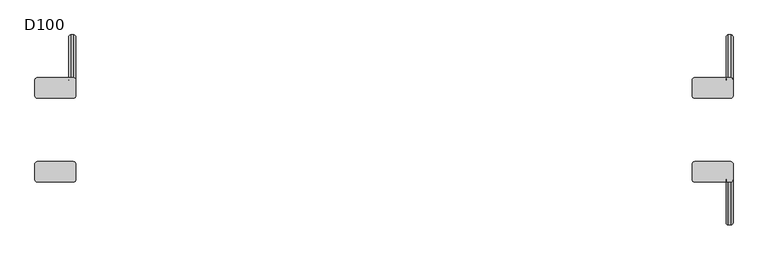
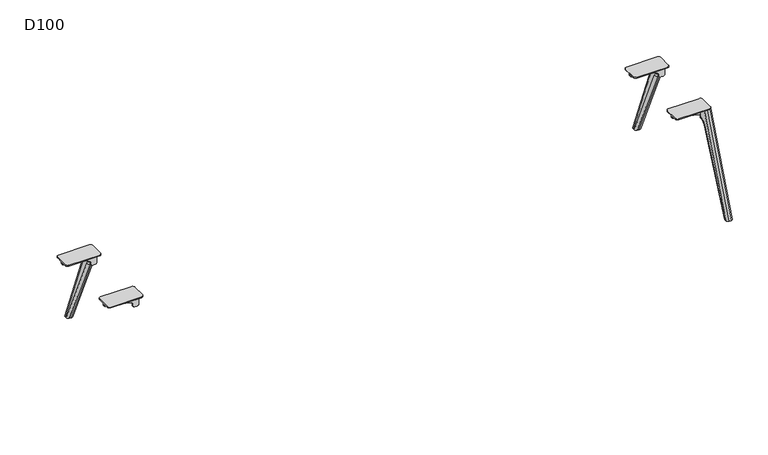
"""IFC4 building model written with IfcOpenShell, lengths in millimetres: furniture geometry, D100."""

from ifc_helpers import new_model, si_unit, point, frame, origin, place, context, project, spatial, polyline, circle_curve, ellipse_curve, trimmed, source, transform, mapped, element, save
from ifc_brep_helpers import plane_surface, cylinder_surface, revolved_surface, advanced_brep


def d100_eb0edf5c(model_context):
    return source(origin(), model_context, "Body", "AdvancedBrep", [
        advanced_brep(
        [(3079.2740174, -270.7236545, 641.5327762), (3104.0036896, -270.7236545, 611.3326759), (3119.0, -270.7236545, 596.0), (3134.0, -270.7236545, 596.0), (3149.0, -270.7236545, 611.0), (3149.0, -270.7236545, 700.0), (2889.0, -270.7236545, 700.0), (2889.0, -270.7236545, 692.1898324), (2905.4913675, -270.7236545, 672.5), (3079.2740174, -264.7236545, 641.5327762), (2905.4913675, -264.7236545, 672.5), (2889.0, -264.7236545, 692.1898324), (2889.0, -264.7236545, 700.0), (3149.0, -264.7236545, 700.0), (3149.0, -264.7236545, 611.0), (3134.0, -264.7236545, 596.0), (3119.0, -264.7236545, 596.0), (3104.0036896, -264.7236545, 611.3326759), (3149.0, -218.7236545, 700.0), (3149.0, -218.7236545, 706.0), (3149.0, -316.7236545, 706.0), (3149.0, -316.7236545, 700.0), (3133.0, -202.7236545, 706.0), (2905.0, -202.7236545, 706.0), (2889.0, -218.7236545, 706.0), (2889.0, -316.7236545, 706.0), (2905.0, -332.7236545, 706.0), (3133.0, -332.7236545, 706.0), (2889.0, -218.7236545, 700.0), (2889.0, -316.7236545, 700.0), (3133.0, -202.7236545, 700.0), (2905.0, -202.7236545, 700.0), (3133.0, -332.7236545, 700.0), (2905.0, -332.7236545, 700.0)],
        [
            (0, 1, circle_curve(frame((3074.0110687, -270.7236545, 611.9980276), z_axis=(0.0, 1.0, 0.0), x_axis=(1.0, 0.0, 0.0)), 30.0)),
            (1, 2, circle_curve(frame((3119.0, -270.7236545, 611.0), z_axis=(0.0, -1.0, 0.0), x_axis=(1.0, 0.0, 0.0)), 15.0)),
            (2, 3),
            (3, 4, circle_curve(frame((3134.0, -270.7236545, 611.0), z_axis=(0.0, -1.0, 0.0), x_axis=(1.0, 0.0, 0.0)), 15.0)),
            (4, 5),
            (5, 6),
            (6, 7),
            (7, 8, circle_curve(frame((2909.0, -270.7236545, 692.1898324), z_axis=(0.0, -1.0, 0.0), x_axis=(1.0, 0.0, 0.0)), 20.0)),
            (8, 0),
            (9, 10),
            (10, 11, circle_curve(frame((2909.0, -264.7236545, 692.1898324), z_axis=(0.0, 1.0, 0.0), x_axis=(1.0, 0.0, 0.0)), 20.0)),
            (11, 12),
            (12, 13),
            (13, 14),
            (14, 15, circle_curve(frame((3134.0, -264.7236545, 611.0), z_axis=(0.0, 1.0, 0.0), x_axis=(1.0, 0.0, 0.0)), 15.0)),
            (15, 16),
            (16, 17, circle_curve(frame((3119.0, -264.7236545, 611.0), z_axis=(0.0, 1.0, 0.0), x_axis=(1.0, 0.0, 0.0)), 15.0)),
            (17, 9, circle_curve(frame((3074.0110687, -264.7236545, 611.9980276), z_axis=(0.0, -1.0, 0.0), x_axis=(1.0, 0.0, 0.0)), 30.0)),
            (0, 9),
            (17, 1),
            (4, 14),
            (13, 18),
            (18, 19),
            (19, 20),
            (20, 21),
            (21, 5),
            (19, 22, circle_curve(frame((3133.0, -218.7236545, 706.0), z_axis=(0.0, 0.0, 1.0), x_axis=(-1.0, 0.0, 0.0)), 16.0)),
            (22, 23),
            (23, 24, circle_curve(frame((2905.0, -218.7236545, 706.0), z_axis=(0.0, 0.0, 1.0), x_axis=(-1.0, 0.0, 0.0)), 16.0)),
            (24, 25),
            (25, 26, circle_curve(frame((2905.0, -316.7236545, 706.0), z_axis=(0.0, 0.0, 1.0), x_axis=(-1.0, 0.0, 0.0)), 16.0)),
            (26, 27),
            (27, 20, circle_curve(frame((3133.0, -316.7236545, 706.0), z_axis=(0.0, 0.0, 1.0), x_axis=(-1.0, 0.0, 0.0)), 16.0)),
            (24, 28),
            (28, 12),
            (11, 7),
            (6, 29),
            (29, 25),
            (10, 8),
            (16, 2),
            (15, 3),
            (30, 18, circle_curve(frame((3133.0, -218.7236545, 700.0), z_axis=(0.0, 0.0, -1.0), x_axis=(-1.0, 0.0, 0.0)), 16.0)),
            (28, 31, circle_curve(frame((2905.0, -218.7236545, 700.0), z_axis=(0.0, 0.0, -1.0), x_axis=(-1.0, 0.0, 0.0)), 16.0)),
            (31, 30),
            (21, 32, circle_curve(frame((3133.0, -316.7236545, 700.0), z_axis=(0.0, 0.0, -1.0), x_axis=(-1.0, 0.0, 0.0)), 16.0)),
            (32, 33),
            (33, 29, circle_curve(frame((2905.0, -316.7236545, 700.0), z_axis=(0.0, 0.0, -1.0), x_axis=(-1.0, 0.0, 0.0)), 16.0)),
            (30, 22),
            (27, 32),
            (26, 33),
            (23, 31),
        ],
        [
            plane_surface(frame((3104.0110687, -270.7236545, 611.9980276), z_axis=(0.0, -1.0, 0.0), x_axis=(0.0, 0.0, -1.0))),
            plane_surface(frame((3104.0110687, -264.7236545, 611.9980276), z_axis=(0.0, 1.0, 0.0), x_axis=(0.0, 0.0, 1.0))),
            revolved_surface(polyline([(3104.0110687, -264.7236545, 611.9980276), (3104.0110687, -270.7236545, 611.9980276)]), (3074.0110687, -264.7236545, 611.9980276), (0.0, 1.0, 0.0)),
            plane_surface(frame((3149.0, -270.7236545, 611.0), z_axis=(1.0, 0.0, 0.0), x_axis=(0.0, 1.0, 0.0))),
            plane_surface(frame((3149.0, -270.7236545, 706.0), z_axis=(0.0, 0.0, 1.0), x_axis=(0.0, 1.0, 0.0))),
            plane_surface(frame((2889.0, -270.7236545, 706.0), z_axis=(-1.0, 0.0, 0.0), x_axis=(0.0, 1.0, 0.0))),
            cylinder_surface(frame((2909.0, -264.7236545, 692.1898324), z_axis=(0.0, -1.0, 0.0), x_axis=(1.0, 0.0, 0.0)), 20.0),
            plane_surface(frame((2905.4913675, -270.7236545, 672.5), z_axis=(-0.17543162299464946, 0.0, -0.9844916178685643), x_axis=(0.0, 1.0, 0.0))),
            cylinder_surface(frame((3119.0, -264.7236545, 611.0), z_axis=(0.0, -1.0, 0.0), x_axis=(1.0, 0.0, 0.0)), 15.0),
            plane_surface(frame((3119.0, -270.7236545, 596.0), z_axis=(0.0, 0.0, -1.0), x_axis=(0.0, 1.0, 0.0))),
            cylinder_surface(frame((3134.0, -264.7236545, 611.0), z_axis=(0.0, -1.0, 0.0), x_axis=(1.0, 0.0, 0.0)), 15.0),
            plane_surface(frame((2905.0, -202.7236545, 700.0), z_axis=(0.0, 0.0, -1.0), x_axis=(1.0, 0.0, 0.0))),
            cylinder_surface(frame((3133.0, -218.7236545, 700.0), z_axis=(0.0, 0.0, 1.0), x_axis=(-1.0, 0.0, 0.0)), 16.0),
            cylinder_surface(frame((3133.0, -316.7236545, 700.0), z_axis=(0.0, 0.0, 1.0), x_axis=(-1.0, 0.0, 0.0)), 16.0),
            plane_surface(frame((2905.0, -332.7236545, 706.0), z_axis=(0.0, -1.0, 0.0), x_axis=(0.0, 0.0, -1.0))),
            cylinder_surface(frame((2905.0, -316.7236545, 700.0), z_axis=(0.0, 0.0, 1.0), x_axis=(-1.0, 0.0, 0.0)), 16.0),
            cylinder_surface(frame((2905.0, -218.7236545, 700.0), z_axis=(0.0, 0.0, 1.0), x_axis=(-1.0, 0.0, 0.0)), 16.0),
            plane_surface(frame((3133.0, -202.7236545, 706.0), z_axis=(0.0, 1.0, 0.0), x_axis=(0.0, 0.0, -1.0))),
        ],
        [
            (0, [[1, 2, 3, 4, 5, 6, 7, 8, 9]]),
            (1, [[10, 11, 12, 13, 14, 15, 16, 17, 18]]),
            (2, [[-1, 19, -18, 20]]),
            (3, [[21, -14, 22, 23, 24, 25, 26, -5]]),
            (4, [[-24, 27, 28, 29, 30, 31, 32, 33]]),
            (5, [[-30, 34, 35, -12, 36, -7, 37, 38]]),
            (6, [[-8, -36, -11, 39]]),
            (7, [[-9, -39, -10, -19]]),
            (8, [[-2, -20, -17, 40]]),
            (9, [[-3, -40, -16, 41]]),
            (10, [[-4, -41, -15, -21]]),
            (11, [[42, -22, -13, -35, 43, 44]]),
            (11, [[45, 46, 47, -37, -6, -26]]),
            (12, [[-27, -23, -42, 48]]),
            (13, [[-33, 49, -45, -25]]),
            (14, [[-32, 50, -46, -49]]),
            (15, [[-31, -38, -47, -50]]),
            (16, [[-29, 51, -43, -34]]),
            (17, [[-28, -48, -44, -51]]),
        ],
    ),
        advanced_brep(
        [(3079.2740174, 270.7236545, 641.5327762), (2905.4913675, 270.7236545, 672.5), (2889.0, 270.7236545, 692.1898324), (2889.0, 270.7236545, 700.0), (3149.0, 270.7236545, 700.0), (3149.0, 270.7236545, 611.0), (3134.0, 270.7236545, 596.0), (3119.0, 270.7236545, 596.0), (3104.0036896, 270.7236545, 611.3326759), (3079.2740174, 264.7236545, 641.5327762), (3104.0036896, 264.7236545, 611.3326759), (3119.0, 264.7236545, 596.0), (3134.0, 264.7236545, 596.0), (3149.0, 264.7236545, 611.0), (3149.0, 264.7236545, 700.0), (2889.0, 264.7236545, 700.0), (2889.0, 264.7236545, 692.1898324), (2905.4913675, 264.7236545, 672.5), (3149.0, 218.7236545, 706.0), (3149.0, 218.7236545, 700.0), (3149.0, 316.7236545, 700.0), (3149.0, 316.7236545, 706.0), (3133.0, 332.7236545, 706.0), (2905.0, 332.7236545, 706.0), (2889.0, 316.7236545, 706.0), (2889.0, 218.7236545, 706.0), (2905.0, 202.7236545, 706.0), (3133.0, 202.7236545, 706.0), (2889.0, 316.7236545, 700.0), (2889.0, 218.7236545, 700.0), (3133.0, 202.7236545, 700.0), (2905.0, 202.7236545, 700.0), (2905.0, 332.7236545, 700.0), (3133.0, 332.7236545, 700.0)],
        [
            (0, 1),
            (1, 2, circle_curve(frame((2909.0, 270.7236545, 692.1898324), z_axis=(0.0, 1.0, 0.0), x_axis=(1.0, 0.0, 0.0)), 20.0)),
            (2, 3),
            (3, 4),
            (4, 5),
            (5, 6, circle_curve(frame((3134.0, 270.7236545, 611.0), z_axis=(0.0, 1.0, 0.0), x_axis=(1.0, 0.0, 0.0)), 15.0)),
            (6, 7),
            (7, 8, circle_curve(frame((3119.0, 270.7236545, 611.0), z_axis=(0.0, 1.0, 0.0), x_axis=(1.0, 0.0, 0.0)), 15.0)),
            (8, 0, circle_curve(frame((3074.0110687, 270.7236545, 611.9980276), z_axis=(0.0, -1.0, 0.0), x_axis=(1.0, 0.0, 0.0)), 30.0)),
            (9, 10, circle_curve(frame((3074.0110687, 264.7236545, 611.9980276), z_axis=(0.0, 1.0, 0.0), x_axis=(1.0, 0.0, 0.0)), 30.0)),
            (10, 11, circle_curve(frame((3119.0, 264.7236545, 611.0), z_axis=(0.0, -1.0, 0.0), x_axis=(1.0, 0.0, 0.0)), 15.0)),
            (11, 12),
            (12, 13, circle_curve(frame((3134.0, 264.7236545, 611.0), z_axis=(0.0, -1.0, 0.0), x_axis=(1.0, 0.0, 0.0)), 15.0)),
            (13, 14),
            (14, 15),
            (15, 16),
            (16, 17, circle_curve(frame((2909.0, 264.7236545, 692.1898324), z_axis=(0.0, -1.0, 0.0), x_axis=(1.0, 0.0, 0.0)), 20.0)),
            (17, 9),
            (8, 10),
            (9, 0),
            (18, 19),
            (19, 14),
            (13, 5),
            (4, 20),
            (20, 21),
            (21, 18),
            (21, 22, circle_curve(frame((3133.0, 316.7236545, 706.0), z_axis=(0.0, 0.0, 1.0), x_axis=(-1.0, 0.0, 0.0)), 16.0)),
            (22, 23),
            (23, 24, circle_curve(frame((2905.0, 316.7236545, 706.0), z_axis=(0.0, 0.0, 1.0), x_axis=(-1.0, 0.0, 0.0)), 16.0)),
            (24, 25),
            (25, 26, circle_curve(frame((2905.0, 218.7236545, 706.0), z_axis=(0.0, 0.0, 1.0), x_axis=(-1.0, 0.0, 0.0)), 16.0)),
            (26, 27),
            (27, 18, circle_curve(frame((3133.0, 218.7236545, 706.0), z_axis=(0.0, 0.0, 1.0), x_axis=(-1.0, 0.0, 0.0)), 16.0)),
            (24, 28),
            (28, 3),
            (2, 16),
            (15, 29),
            (29, 25),
            (1, 17),
            (7, 11),
            (6, 12),
            (30, 31),
            (31, 29, circle_curve(frame((2905.0, 218.7236545, 700.0), z_axis=(0.0, 0.0, -1.0), x_axis=(-1.0, 0.0, 0.0)), 16.0)),
            (19, 30, circle_curve(frame((3133.0, 218.7236545, 700.0), z_axis=(0.0, 0.0, -1.0), x_axis=(-1.0, 0.0, 0.0)), 16.0)),
            (28, 32, circle_curve(frame((2905.0, 316.7236545, 700.0), z_axis=(0.0, 0.0, -1.0), x_axis=(-1.0, 0.0, 0.0)), 16.0)),
            (32, 33),
            (33, 20, circle_curve(frame((3133.0, 316.7236545, 700.0), z_axis=(0.0, 0.0, -1.0), x_axis=(-1.0, 0.0, 0.0)), 16.0)),
            (27, 30),
            (33, 22),
            (32, 23),
            (31, 26),
        ],
        [
            plane_surface(frame((2905.4913675, 270.7236545, 672.5), z_axis=(0.0, 1.0, 0.0), x_axis=(-0.9844916178685638, 0.0, 0.17543162299465243))),
            plane_surface(frame((2905.4913675, 264.7236545, 672.5), z_axis=(0.0, -1.0, 0.0), x_axis=(0.9844916178685638, 0.0, -0.17543162299465243))),
            revolved_surface(polyline([(3104.0110687, 264.7236545, 611.9980276), (3104.0110687, 270.7236545, 611.9980276)]), (3074.0110687, 264.7236545, 611.9980276), (0.0, -1.0, 0.0)),
            plane_surface(frame((3149.0, 270.7236545, 706.0), z_axis=(1.0, 0.0, 0.0), x_axis=(0.0, -1.0, 0.0))),
            plane_surface(frame((2889.0, 270.7236545, 706.0), z_axis=(0.0, 0.0, 1.0), x_axis=(0.0, -1.0, 0.0))),
            plane_surface(frame((2889.0, 270.7236545, 692.1898324), z_axis=(-1.0, 0.0, 0.0), x_axis=(0.0, -1.0, 0.0))),
            cylinder_surface(frame((2909.0, 264.7236545, 692.1898324), z_axis=(0.0, 1.0, 0.0), x_axis=(1.0, 0.0, 0.0)), 20.0),
            plane_surface(frame((3079.2740174, 270.7236545, 641.5327762), z_axis=(-0.17543162299465243, 0.0, -0.9844916178685638), x_axis=(0.0, -1.0, 0.0))),
            cylinder_surface(frame((3119.0, 264.7236545, 611.0), z_axis=(0.0, 1.0, 0.0), x_axis=(1.0, 0.0, 0.0)), 15.0),
            plane_surface(frame((3134.0, 270.7236545, 596.0), z_axis=(0.0, 0.0, -1.0), x_axis=(0.0, -1.0, 0.0))),
            cylinder_surface(frame((3134.0, 264.7236545, 611.0), z_axis=(0.0, 1.0, 0.0), x_axis=(1.0, 0.0, 0.0)), 15.0),
            plane_surface(frame((3117.0, 218.7236545, 700.0), z_axis=(0.0, 0.0, -1.0), x_axis=(0.0, 1.0, 0.0))),
            cylinder_surface(frame((3133.0, 218.7236545, 700.0), z_axis=(0.0, 0.0, 1.0), x_axis=(-1.0, 0.0, 0.0)), 16.0),
            cylinder_surface(frame((3133.0, 316.7236545, 700.0), z_axis=(0.0, 0.0, 1.0), x_axis=(-1.0, 0.0, 0.0)), 16.0),
            plane_surface(frame((3133.0, 332.7236545, 706.0), z_axis=(0.0, 1.0, 0.0), x_axis=(0.0, 0.0, -1.0))),
            cylinder_surface(frame((2905.0, 316.7236545, 700.0), z_axis=(0.0, 0.0, 1.0), x_axis=(-1.0, 0.0, 0.0)), 16.0),
            cylinder_surface(frame((2905.0, 218.7236545, 700.0), z_axis=(0.0, 0.0, 1.0), x_axis=(-1.0, 0.0, 0.0)), 16.0),
            plane_surface(frame((2905.0, 202.7236545, 706.0), z_axis=(0.0, -1.0, 0.0), x_axis=(0.0, 0.0, -1.0))),
        ],
        [
            (0, [[1, 2, 3, 4, 5, 6, 7, 8, 9]]),
            (1, [[10, 11, 12, 13, 14, 15, 16, 17, 18]]),
            (2, [[-9, 19, -10, 20]]),
            (3, [[21, 22, -14, 23, -5, 24, 25, 26]]),
            (4, [[-26, 27, 28, 29, 30, 31, 32, 33]]),
            (5, [[-30, 34, 35, -3, 36, -16, 37, 38]]),
            (6, [[-2, 39, -17, -36]]),
            (7, [[-1, -20, -18, -39]]),
            (8, [[-8, 40, -11, -19]]),
            (9, [[-7, 41, -12, -40]]),
            (10, [[-6, -23, -13, -41]]),
            (11, [[42, 43, -37, -15, -22, 44]]),
            (11, [[45, 46, 47, -24, -4, -35]]),
            (12, [[-33, 48, -44, -21]]),
            (13, [[-27, -25, -47, 49]]),
            (14, [[-28, -49, -46, 50]]),
            (15, [[-29, -50, -45, -34]]),
            (16, [[-31, -38, -43, 51]]),
            (17, [[-32, -51, -42, -48]]),
        ],
    ),
        advanced_brep(
        [(3134.0, 272.7758244, 596.0), (3149.0, 272.7758244, 611.0), (3149.0, 270.7236545, 611.0), (3134.0, 270.7236545, 596.0), (3104.0, 272.7758244, 611.0), (3119.0, 272.7758244, 596.0), (3119.0, 270.7236545, 596.0), (3104.0, 270.7236545, 611.0), (3149.0, 319.3435487, 580.82862), (3134.0, 305.6533176, 574.6985653), (3134.0, 562.9852524, 0.0), (3149.0, 579.4203292, 0.0), (3119.0, 305.6533176, 574.6985653), (3104.0, 319.3435487, 580.82862), (3104.0, 579.4203292, 0.0), (3119.0, 562.9852524, 0.0), (3104.0, 270.7236545, 700.0), (3104.0, 316.6217076, 700.0), (3104.0, 589.8218305, 0.0), (3149.0, 270.7236545, 700.0), (3149.0, 589.8218305, 0.0), (3149.0, 316.6217076, 700.0), (3134.0, 332.7236545, 700.0), (3119.0, 332.7236545, 700.0), (3134.0, 605.9237773, 0.0), (3119.0, 605.9237773, 0.0)],
        [
            (0, 1, circle_curve(frame((3134.0, 272.7758244, 611.0), z_axis=(0.0, -1.0, 0.0), x_axis=(0.0, 0.0, -1.0)), 15.0)),
            (1, 2),
            (2, 3, circle_curve(frame((3134.0, 270.7236545, 611.0), z_axis=(0.0, 1.0, 0.0), x_axis=(0.0, 0.0, -1.0)), 15.0)),
            (3, 0),
            (4, 5, circle_curve(frame((3119.0, 272.7758244, 611.0), z_axis=(0.0, -1.0, 0.0), x_axis=(0.0, 0.0, -1.0)), 15.0)),
            (5, 6),
            (6, 7, circle_curve(frame((3119.0, 270.7236545, 611.0), z_axis=(0.0, 1.0, 0.0), x_axis=(0.0, 0.0, -1.0)), 15.0)),
            (7, 4),
            (8, 9, circle_curve(frame((3134.0, 319.3435487, 580.82862), z_axis=(0.0, 0.4086703164969099, -0.9126820763082375), x_axis=(0.0, -0.9126820763082375, -0.4086703164969099)), 15.0)),
            (9, 10),
            (10, 11, ellipse_curve(frame((3134.0, 579.4203292, 0.0), z_axis=(0.0, 0.0, 1.0), x_axis=(0.0, 1.0, 0.0)), 16.4350768, 15.0)),
            (11, 8),
            (12, 13, circle_curve(frame((3119.0, 319.3435487, 580.82862), z_axis=(0.0, 0.4086703164969099, -0.9126820763082375), x_axis=(0.0, -0.9126820763082375, -0.4086703164969099)), 15.0)),
            (13, 14),
            (14, 15, ellipse_curve(frame((3119.0, 579.4203292, 0.0), z_axis=(0.0, 0.0, 1.0), x_axis=(0.0, 1.0, 0.0)), 16.4350768, 15.0)),
            (15, 12),
            (0, 9, circle_curve(frame((3134.0, 272.7758244, 559.9770583), z_axis=(-1.0, 0.0, 0.0), x_axis=(0.0, 0.0, 1.0)), 36.0229417)),
            (8, 1, circle_curve(frame((3149.0, 272.7758244, 559.9770583), z_axis=(1.0, 0.0, 0.0), x_axis=(0.0, 0.0, 1.0)), 51.0229417)),
            (4, 13, circle_curve(frame((3104.0, 272.7758244, 559.9770583), z_axis=(-1.0, 0.0, 0.0), x_axis=(0.0, 0.0, 1.0)), 51.0229417)),
            (12, 5, circle_curve(frame((3119.0, 272.7758244, 559.9770583), z_axis=(1.0, 0.0, 0.0), x_axis=(0.0, 0.0, 1.0)), 36.0229417)),
            (7, 16),
            (16, 17),
            (17, 18),
            (18, 14),
            (19, 2),
            (11, 20),
            (20, 21),
            (21, 19),
            (16, 19),
            (21, 22, ellipse_curve(frame((3134.0, 316.6217076, 700.0), z_axis=(0.0, 0.0, 1.0), x_axis=(0.0, -1.0, 0.0)), 16.1019468, 15.0)),
            (22, 23),
            (23, 17, ellipse_curve(frame((3119.0, 316.6217076, 700.0), z_axis=(0.0, 0.0, 1.0), x_axis=(0.0, -1.0, 0.0)), 16.1019468, 15.0)),
            (22, 24),
            (24, 25),
            (25, 23),
            (10, 15),
            (18, 25, ellipse_curve(frame((3119.0, 589.8218305, 0.0), z_axis=(0.0, 0.0, -1.0), x_axis=(0.0, -0.9999999999999999, 0.0)), 16.1019468, 15.0)),
            (24, 20, ellipse_curve(frame((3134.0, 589.8218305, 0.0), z_axis=(0.0, 0.0, -1.0), x_axis=(0.0, -0.9999999999999999, 0.0)), 16.1019468, 15.0)),
            (9, 12),
            (0, 5),
            (3, 6),
        ],
        [
            cylinder_surface(frame((3134.0, -272.7758244, 611.0), z_axis=(0.0, 1.0, 0.0), x_axis=(0.0, 0.0, -1.0)), 15.0),
            cylinder_surface(frame((3119.0, -272.7758244, 611.0), z_axis=(0.0, 1.0, 0.0), x_axis=(0.0, 0.0, -1.0)), 15.0),
            cylinder_surface(frame((3134.0, 319.3435487, 580.82862), z_axis=(0.0, 0.4086703164969099, -0.9126820763082375), x_axis=(0.0, -0.9126820763082375, -0.4086703164969099)), 15.0),
            cylinder_surface(frame((3119.0, 319.3435487, 580.82862), z_axis=(0.0, 0.4086703164969099, -0.9126820763082375), x_axis=(0.0, -0.9126820763082375, -0.4086703164969099)), 15.0),
            revolved_surface(trimmed(ellipse_curve(frame((3134.0, 272.7758244, 611.0), z_axis=(0.0, -1.0, 0.0), x_axis=(0.0, 0.0, -1.0)), 15.0, 15.0), [point((3134.0, 272.7758244, 596.0))], [point((3149.0, 272.7758244, 611.0))], True, "CARTESIAN"), (2367.0, 272.7758244, 559.9770583), (-1.0, 0.0, 0.0)),
            revolved_surface(trimmed(ellipse_curve(frame((3119.0, 272.7758244, 611.0), z_axis=(0.0, -1.0, 0.0), x_axis=(0.0, 0.0, -1.0)), 15.0, 15.0), [point((3104.0, 272.7758244, 611.0))], [point((3119.0, 272.7758244, 596.0))], True, "CARTESIAN"), (2367.0, 272.7758244, 559.9770583), (-1.0, 0.0, 0.0)),
            plane_surface(frame((3104.0, 291.5455549, 700.0), z_axis=(-1.0, 0.0, 0.0), x_axis=(0.0, 1.0, 0.0))),
            plane_surface(frame((3149.0, 291.5455549, 700.0), z_axis=(1.0, 0.0, 0.0), x_axis=(0.0, -1.0, 0.0))),
            plane_surface(frame((3104.0, 270.7236545, 700.0), z_axis=(0.0, 0.0, 1.0), x_axis=(1.0, 0.0, 0.0))),
            plane_surface(frame((3104.0, 332.7236545, 700.0), z_axis=(0.0, 0.9315643722265751, 0.3635764299265108), x_axis=(1.0, 0.0, 0.0))),
            plane_surface(frame((3104.0, 605.9237773, 0.0), z_axis=(0.0, 0.0, -1.0), x_axis=(1.0, 0.0, 0.0))),
            plane_surface(frame((3104.0, 562.9852524, 0.0), z_axis=(0.0, -0.9126820763082374, -0.40867031649691016), x_axis=(1.0, 0.0, 0.0))),
            revolved_surface(polyline([(3134.0, 236.7528827, 559.9770583), (3119.0, 236.7528827, 559.9770583)]), (3149.0, 272.7758244, 559.9770583), (1.0, 0.0, 0.0)),
            plane_surface(frame((3104.0, 272.7758244, 596.0), z_axis=(0.0, 0.0, -1.0), x_axis=(1.0, 0.0, 0.0))),
            plane_surface(frame((3104.0, 270.7236545, 596.0), z_axis=(0.0, -1.0, 0.0), x_axis=(1.0, 0.0, 0.0))),
            cylinder_surface(frame((3134.0, 599.6644228, -25.2189296), z_axis=(0.0, -0.3635764299265101, 0.9315643722265754), x_axis=(0.0, 0.9315643722265754, 0.3635764299265101)), 15.0),
            cylinder_surface(frame((3119.0, 599.6644228, -25.2189296), z_axis=(0.0, -0.3635764299265101, 0.9315643722265754), x_axis=(0.0, 0.9315643722265754, 0.3635764299265101)), 15.0),
        ],
        [
            (0, [[1, 2, 3, 4]]),
            (1, [[5, 6, 7, 8]]),
            (2, [[9, 10, 11, 12]]),
            (3, [[13, 14, 15, 16]]),
            (4, [[-1, 17, -9, 18]]),
            (5, [[-5, 19, -13, 20]]),
            (6, [[21, 22, 23, 24, -14, -19, -8]]),
            (7, [[25, -2, -18, -12, 26, 27, 28]]),
            (8, [[29, -28, 30, 31, 32, -22]]),
            (9, [[-31, 33, 34, 35]]),
            (10, [[36, -15, -24, 37, -34, 38, -26, -11]]),
            (11, [[-36, -10, 39, -16]]),
            (12, [[-39, -17, 40, -20]]),
            (13, [[-40, -4, 41, -6]]),
            (14, [[-29, -21, -7, -41, -3, -25]]),
            (15, [[-27, -38, -33, -30]]),
            (16, [[-23, -32, -35, -37]]),
        ],
    ),
        advanced_brep(
        [(3104.0, -270.7236545, 700.0), (3104.0, -270.7236545, 611.0), (3104.0, -272.7758244, 611.0), (3104.0, -319.3435487, 580.82862), (3104.0, -579.4203292, 0.0), (3104.0, -589.8218305, 0.0), (3104.0, -316.6217076, 700.0), (3149.0, -270.7236545, 611.0), (3149.0, -270.7236545, 700.0), (3149.0, -316.6217076, 700.0), (3149.0, -589.8218305, 0.0), (3149.0, -579.4203292, 0.0), (3149.0, -319.3435487, 580.82862), (3149.0, -272.7758244, 611.0), (3119.0, -332.7236545, 700.0), (3134.0, -332.7236545, 700.0), (3119.0, -605.9237773, 0.0), (3134.0, -605.9237773, 0.0), (3119.0, -562.9852524, 0.0), (3134.0, -562.9852524, 0.0), (3119.0, -305.6533176, 574.6985653), (3134.0, -305.6533176, 574.6985653), (3119.0, -272.7758244, 596.0), (3134.0, -272.7758244, 596.0), (3119.0, -270.7236545, 596.0), (3134.0, -270.7236545, 596.0)],
        [
            (0, 1),
            (1, 2),
            (2, 3, circle_curve(frame((3104.0, -272.7758244, 559.9770583), z_axis=(1.0, 0.0, 0.0), x_axis=(0.0, -0.9126820763082378, 0.4086703164969091)), 51.0229417)),
            (3, 4),
            (4, 5),
            (5, 6),
            (6, 0),
            (7, 8),
            (8, 9),
            (9, 10),
            (10, 11),
            (11, 12),
            (12, 13, circle_curve(frame((3149.0, -272.7758244, 559.9770583), z_axis=(-1.0, 0.0, 0.0), x_axis=(0.0, -0.9126820763082378, 0.4086703164969091)), 51.0229417)),
            (13, 7),
            (8, 0),
            (6, 14, ellipse_curve(frame((3119.0, -316.6217076, 700.0), z_axis=(0.0, 0.0, 1.0), x_axis=(0.0, 1.0, 0.0)), 16.1019468, 15.0)),
            (14, 15),
            (15, 9, ellipse_curve(frame((3134.0, -316.6217076, 700.0), z_axis=(0.0, 0.0, 1.0), x_axis=(0.0, 1.0, 0.0)), 16.1019468, 15.0)),
            (14, 16),
            (16, 17),
            (17, 15),
            (18, 19),
            (19, 11, ellipse_curve(frame((3134.0, -579.4203292, 0.0), z_axis=(0.0, 0.0, -1.0), x_axis=(0.0, 1.0, 0.0)), 16.4350768, 15.0)),
            (10, 17, ellipse_curve(frame((3134.0, -589.8218305, 0.0), z_axis=(0.0, 0.0, -1.0), x_axis=(0.0, 0.9999999999999999, 0.0)), 16.1019468, 15.0)),
            (16, 5, ellipse_curve(frame((3119.0, -589.8218305, 0.0), z_axis=(0.0, 0.0, -1.0), x_axis=(0.0, 0.9999999999999999, 0.0)), 16.1019468, 15.0)),
            (4, 18, ellipse_curve(frame((3119.0, -579.4203292, 0.0), z_axis=(0.0, 0.0, -1.0), x_axis=(0.0, 1.0, 0.0)), 16.4350768, 15.0)),
            (18, 20),
            (20, 21),
            (21, 19),
            (20, 22, circle_curve(frame((3119.0, -272.7758244, 559.9770583), z_axis=(-1.0, 0.0, 0.0), x_axis=(0.0, 1.0, 0.0)), 36.0229417)),
            (22, 23),
            (23, 21, circle_curve(frame((3134.0, -272.7758244, 559.9770583), z_axis=(1.0, 0.0, 0.0), x_axis=(0.0, 1.0, 0.0)), 36.0229417)),
            (22, 24),
            (24, 25),
            (25, 23),
            (7, 25, circle_curve(frame((3134.0, -270.7236545, 611.0), z_axis=(0.0, 1.0, 0.0), x_axis=(0.0, 0.0, -1.0)), 15.0)),
            (24, 1, circle_curve(frame((3119.0, -270.7236545, 611.0), z_axis=(0.0, 1.0, 0.0), x_axis=(0.0, 0.0, -1.0)), 15.0)),
            (21, 12, circle_curve(frame((3134.0, -319.3435487, 580.82862), z_axis=(0.0, -0.40867031649690977, -0.9126820763082376), x_axis=(0.0, 0.9126820763082376, -0.40867031649690977)), 15.0)),
            (3, 20, circle_curve(frame((3119.0, -319.3435487, 580.82862), z_axis=(0.0, -0.40867031649690977, -0.9126820763082376), x_axis=(0.0, 0.9126820763082376, -0.40867031649690977)), 15.0)),
            (13, 23, circle_curve(frame((3134.0, -272.7758244, 611.0), z_axis=(0.0, 1.0, 0.0), x_axis=(0.0, 0.0, -1.0)), 15.0)),
            (22, 2, circle_curve(frame((3119.0, -272.7758244, 611.0), z_axis=(0.0, 1.0, 0.0), x_axis=(0.0, 0.0, -1.0)), 15.0)),
        ],
        [
            plane_surface(frame((3104.0, -270.7236545, 596.0), z_axis=(-1.0, 0.0, 0.0), x_axis=(0.0, 0.0, -1.0))),
            plane_surface(frame((3149.0, -270.7236545, 596.0), z_axis=(1.0, 0.0, 0.0), x_axis=(0.0, 0.0, 1.0))),
            plane_surface(frame((3104.0, -332.7236545, 700.0), z_axis=(0.0, 0.0, 1.0), x_axis=(1.0, 0.0, 0.0))),
            plane_surface(frame((3104.0, -605.9237773, 0.0), z_axis=(0.0, -0.9315643722265751, 0.3635764299265108), x_axis=(1.0, 0.0, 0.0))),
            plane_surface(frame((3104.0, -562.9852524, 0.0), z_axis=(0.0, 0.0, -1.0), x_axis=(1.0, 0.0, 0.0))),
            plane_surface(frame((3104.0, -305.6533176, 574.6985653), z_axis=(0.0, 0.9126820763082374, -0.40867031649691016), x_axis=(1.0, 0.0, 0.0))),
            revolved_surface(polyline([(3134.0, -236.7528827, 559.9770583), (3119.0, -236.7528827, 559.9770583)]), (3149.0, -272.7758244, 559.9770583), (1.0, 0.0, 0.0)),
            plane_surface(frame((3104.0, -270.7236545, 596.0), z_axis=(0.0, 0.0, -1.0), x_axis=(1.0, 0.0, 0.0))),
            plane_surface(frame((3104.0, -270.7236545, 700.0), z_axis=(0.0, 1.0, 0.0), x_axis=(1.0, 0.0, 0.0))),
            cylinder_surface(frame((3134.0, -584.7803586, -11.9705362), z_axis=(0.0, 0.40867031649690977, 0.9126820763082376), x_axis=(0.0, 0.9126820763082376, -0.40867031649690977)), 15.0),
            cylinder_surface(frame((3119.0, -584.7803586, -11.9705362), z_axis=(0.0, 0.40867031649690977, 0.9126820763082376), x_axis=(0.0, 0.9126820763082376, -0.40867031649690977)), 15.0),
            cylinder_surface(frame((3134.0, -272.7758244, 611.0), z_axis=(0.0, 1.0, 0.0), x_axis=(0.0, 0.0, -1.0)), 15.0),
            cylinder_surface(frame((3119.0, -272.7758244, 611.0), z_axis=(0.0, 1.0, 0.0), x_axis=(0.0, 0.0, -1.0)), 15.0),
            revolved_surface(trimmed(ellipse_curve(frame((3134.0, -319.3435487, 580.82862), z_axis=(0.0, -0.4086703164969089, -0.9126820763082379), x_axis=(0.0, 0.9126820763082379, -0.4086703164969089)), 15.0, 15.0), [point((3134.0, -305.6533176, 574.6985653))], [point((3149.0, -319.3435487, 580.82862))], True, "CARTESIAN"), (2367.0, -272.7758244, 559.9770583), (-1.0, 0.0, 0.0)),
            revolved_surface(trimmed(ellipse_curve(frame((3119.0, -319.3435487, 580.82862), z_axis=(0.0, -0.4086703164969089, -0.9126820763082379), x_axis=(0.0, 0.9126820763082379, -0.4086703164969089)), 15.0, 15.0), [point((3104.0, -319.3435487, 580.82862))], [point((3119.0, -305.6533176, 574.6985653))], True, "CARTESIAN"), (2367.0, -272.7758244, 559.9770583), (-1.0, 0.0, 0.0)),
            cylinder_surface(frame((3134.0, -599.6644228, -25.2189296), z_axis=(0.0, 0.3635764299265101, 0.9315643722265754), x_axis=(0.0, 0.9315643722265754, -0.3635764299265101)), 15.0),
            cylinder_surface(frame((3119.0, -599.6644228, -25.2189296), z_axis=(0.0, 0.3635764299265101, 0.9315643722265754), x_axis=(0.0, 0.9315643722265754, -0.3635764299265101)), 15.0),
        ],
        [
            (0, [[1, 2, 3, 4, 5, 6, 7]]),
            (1, [[8, 9, 10, 11, 12, 13, 14]]),
            (2, [[15, -7, 16, 17, 18, -9]]),
            (3, [[-17, 19, 20, 21]]),
            (4, [[22, 23, -11, 24, -20, 25, -5, 26]]),
            (5, [[-22, 27, 28, 29]]),
            (6, [[-28, 30, 31, 32]]),
            (7, [[-31, 33, 34, 35]]),
            (8, [[-15, -8, 36, -34, 37, -1]]),
            (9, [[38, -12, -23, -29]]),
            (10, [[39, -27, -26, -4]]),
            (11, [[40, -35, -36, -14]]),
            (12, [[41, -2, -37, -33]]),
            (13, [[-38, -32, -40, -13]]),
            (14, [[-39, -3, -41, -30]]),
            (15, [[-10, -18, -21, -24]]),
            (16, [[-6, -25, -19, -16]]),
        ],
    ),
        advanced_brep(
        [(-1104.7259826, 270.7236545, 641.5327762), (-1278.5086325, 270.7236545, 672.5), (-1295.0, 270.7236545, 692.1898324), (-1295.0, 270.7236545, 700.0), (-1035.0, 270.7236545, 700.0), (-1035.0, 270.7236545, 611.0), (-1050.0, 270.7236545, 596.0), (-1065.0, 270.7236545, 596.0), (-1079.9963104, 270.7236545, 611.3326759), (-1104.7259826, 264.7236545, 641.5327762), (-1079.9963104, 264.7236545, 611.3326759), (-1065.0, 264.7236545, 596.0), (-1050.0, 264.7236545, 596.0), (-1035.0, 264.7236545, 611.0), (-1035.0, 264.7236545, 700.0), (-1295.0, 264.7236545, 700.0), (-1295.0, 264.7236545, 692.1898324), (-1278.5086325, 264.7236545, 672.5), (-1035.0, 218.7236545, 706.0), (-1035.0, 218.7236545, 700.0), (-1035.0, 316.7236545, 700.0), (-1035.0, 316.7236545, 706.0), (-1051.0, 332.7236545, 706.0), (-1279.0, 332.7236545, 706.0), (-1295.0, 316.7236545, 706.0), (-1295.0, 218.7236545, 706.0), (-1279.0, 202.7236545, 706.0), (-1051.0, 202.7236545, 706.0), (-1295.0, 316.7236545, 700.0), (-1295.0, 218.7236545, 700.0), (-1051.0, 202.7236545, 700.0), (-1279.0, 202.7236545, 700.0), (-1279.0, 332.7236545, 700.0), (-1051.0, 332.7236545, 700.0)],
        [
            (0, 1),
            (1, 2, circle_curve(frame((-1275.0, 270.7236545, 692.1898324), z_axis=(0.0, 1.0, 0.0), x_axis=(1.0, 0.0, 0.0)), 20.0)),
            (2, 3),
            (3, 4),
            (4, 5),
            (5, 6, circle_curve(frame((-1050.0, 270.7236545, 611.0), z_axis=(0.0, 1.0, 0.0), x_axis=(1.0, 0.0, 0.0)), 15.0)),
            (6, 7),
            (7, 8, circle_curve(frame((-1065.0, 270.7236545, 611.0), z_axis=(0.0, 1.0, 0.0), x_axis=(1.0, 0.0, 0.0)), 15.0)),
            (8, 0, circle_curve(frame((-1109.9889313, 270.7236545, 611.9980276), z_axis=(0.0, -1.0, 0.0), x_axis=(1.0, 0.0, 0.0)), 30.0)),
            (9, 10, circle_curve(frame((-1109.9889313, 264.7236545, 611.9980276), z_axis=(0.0, 1.0, 0.0), x_axis=(1.0, 0.0, 0.0)), 30.0)),
            (10, 11, circle_curve(frame((-1065.0, 264.7236545, 611.0), z_axis=(0.0, -1.0, 0.0), x_axis=(1.0, 0.0, 0.0)), 15.0)),
            (11, 12),
            (12, 13, circle_curve(frame((-1050.0, 264.7236545, 611.0), z_axis=(0.0, -1.0, 0.0), x_axis=(1.0, 0.0, 0.0)), 15.0)),
            (13, 14),
            (14, 15),
            (15, 16),
            (16, 17, circle_curve(frame((-1275.0, 264.7236545, 692.1898324), z_axis=(0.0, -1.0, 0.0), x_axis=(1.0, 0.0, 0.0)), 20.0)),
            (17, 9),
            (8, 10),
            (9, 0),
            (18, 19),
            (19, 14),
            (13, 5),
            (4, 20),
            (20, 21),
            (21, 18),
            (21, 22, circle_curve(frame((-1051.0, 316.7236545, 706.0), z_axis=(0.0, 0.0, 1.0), x_axis=(-1.0, 0.0, 0.0)), 16.0)),
            (22, 23),
            (23, 24, circle_curve(frame((-1279.0, 316.7236545, 706.0), z_axis=(0.0, 0.0, 1.0), x_axis=(-1.0, 0.0, 0.0)), 16.0)),
            (24, 25),
            (25, 26, circle_curve(frame((-1279.0, 218.7236545, 706.0), z_axis=(0.0, 0.0, 1.0), x_axis=(-1.0, 0.0, 0.0)), 16.0)),
            (26, 27),
            (27, 18, circle_curve(frame((-1051.0, 218.7236545, 706.0), z_axis=(0.0, 0.0, 1.0), x_axis=(-1.0, 0.0, 0.0)), 16.0)),
            (24, 28),
            (28, 3),
            (2, 16),
            (15, 29),
            (29, 25),
            (1, 17),
            (7, 11),
            (6, 12),
            (30, 31),
            (31, 29, circle_curve(frame((-1279.0, 218.7236545, 700.0), z_axis=(0.0, 0.0, -1.0), x_axis=(-1.0, 0.0, 0.0)), 16.0)),
            (19, 30, circle_curve(frame((-1051.0, 218.7236545, 700.0), z_axis=(0.0, 0.0, -1.0), x_axis=(-1.0, 0.0, 0.0)), 16.0)),
            (28, 32, circle_curve(frame((-1279.0, 316.7236545, 700.0), z_axis=(0.0, 0.0, -1.0), x_axis=(-1.0, 0.0, 0.0)), 16.0)),
            (32, 33),
            (33, 20, circle_curve(frame((-1051.0, 316.7236545, 700.0), z_axis=(0.0, 0.0, -1.0), x_axis=(-1.0, 0.0, 0.0)), 16.0)),
            (27, 30),
            (33, 22),
            (32, 23),
            (31, 26),
        ],
        [
            plane_surface(frame((-1278.5086325, 270.7236545, 672.5), z_axis=(0.0, 1.0000000000000002, 0.0), x_axis=(-0.9844916178685641, 0.0, 0.17543162299465093))),
            plane_surface(frame((-1278.5086325, 264.7236545, 672.5), z_axis=(0.0, -1.0000000000000002, 0.0), x_axis=(0.9844916178685641, 0.0, -0.17543162299465093))),
            revolved_surface(polyline([(-1079.9889313, 264.7236545, 611.9980276), (-1079.9889313, 270.7236545, 611.9980276)]), (-1109.9889313, 264.7236545, 611.9980276), (0.0, -1.0, 0.0)),
            plane_surface(frame((-1035.0, 270.7236545, 706.0), z_axis=(1.0, 0.0, 0.0), x_axis=(0.0, -1.0, 0.0))),
            plane_surface(frame((-1295.0, 270.7236545, 706.0), z_axis=(0.0, 0.0, 1.0), x_axis=(0.0, -1.0, 0.0))),
            plane_surface(frame((-1295.0, 270.7236545, 692.1898324), z_axis=(-1.0, 0.0, 0.0), x_axis=(0.0, -1.0, 0.0))),
            cylinder_surface(frame((-1275.0, 264.7236545, 692.1898324), z_axis=(0.0, 1.0, 0.0), x_axis=(1.0, 0.0, 0.0)), 20.0),
            plane_surface(frame((-1104.7259826, 270.7236545, 641.5327762), z_axis=(-0.17543162299465093, 0.0, -0.9844916178685641), x_axis=(0.0, -1.0, 0.0))),
            cylinder_surface(frame((-1065.0, 264.7236545, 611.0), z_axis=(0.0, 1.0, 0.0), x_axis=(1.0, 0.0, 0.0)), 15.0),
            plane_surface(frame((-1050.0, 270.7236545, 596.0), z_axis=(0.0, 0.0, -1.0), x_axis=(0.0, -1.0, 0.0))),
            cylinder_surface(frame((-1050.0, 264.7236545, 611.0), z_axis=(0.0, 1.0, 0.0), x_axis=(1.0, 0.0, 0.0)), 15.0),
            plane_surface(frame((-1067.0, 218.7236545, 700.0), z_axis=(0.0, 0.0, -1.0), x_axis=(0.0, 1.0, 0.0))),
            cylinder_surface(frame((-1051.0, 218.7236545, 700.0), z_axis=(0.0, 0.0, 1.0), x_axis=(-1.0, 0.0, 0.0)), 16.0),
            cylinder_surface(frame((-1051.0, 316.7236545, 700.0), z_axis=(0.0, 0.0, 1.0), x_axis=(-1.0, 0.0, 0.0)), 16.0),
            plane_surface(frame((-1051.0, 332.7236545, 706.0), z_axis=(0.0, 1.0, 0.0), x_axis=(0.0, 0.0, -1.0))),
            cylinder_surface(frame((-1279.0, 316.7236545, 700.0), z_axis=(0.0, 0.0, 1.0), x_axis=(-1.0, 0.0, 0.0)), 16.0),
            cylinder_surface(frame((-1279.0, 218.7236545, 700.0), z_axis=(0.0, 0.0, 1.0), x_axis=(-1.0, 0.0, 0.0)), 16.0),
            plane_surface(frame((-1279.0, 202.7236545, 706.0), z_axis=(0.0, -1.0, 0.0), x_axis=(0.0, 0.0, -1.0))),
        ],
        [
            (0, [[1, 2, 3, 4, 5, 6, 7, 8, 9]]),
            (1, [[10, 11, 12, 13, 14, 15, 16, 17, 18]]),
            (2, [[-9, 19, -10, 20]]),
            (3, [[21, 22, -14, 23, -5, 24, 25, 26]]),
            (4, [[-26, 27, 28, 29, 30, 31, 32, 33]]),
            (5, [[-30, 34, 35, -3, 36, -16, 37, 38]]),
            (6, [[-2, 39, -17, -36]]),
            (7, [[-1, -20, -18, -39]]),
            (8, [[-8, 40, -11, -19]]),
            (9, [[-7, 41, -12, -40]]),
            (10, [[-6, -23, -13, -41]]),
            (11, [[42, 43, -37, -15, -22, 44]]),
            (11, [[45, 46, 47, -24, -4, -35]]),
            (12, [[-33, 48, -44, -21]]),
            (13, [[-27, -25, -47, 49]]),
            (14, [[-28, -49, -46, 50]]),
            (15, [[-29, -50, -45, -34]]),
            (16, [[-31, -38, -43, 51]]),
            (17, [[-32, -51, -42, -48]]),
        ],
    ),
        advanced_brep(
        [(-1050.0, 272.7758244, 596.0), (-1035.0, 272.7758244, 611.0), (-1035.0, 270.7236545, 611.0), (-1050.0, 270.7236545, 596.0), (-1080.0, 272.7758244, 611.0), (-1065.0, 272.7758244, 596.0), (-1065.0, 270.7236545, 596.0), (-1080.0, 270.7236545, 611.0), (-1035.0, 319.3435487, 580.82862), (-1050.0, 305.6533176, 574.6985653), (-1050.0, 562.9852524, 0.0), (-1035.0, 579.4203292, 0.0), (-1065.0, 305.6533176, 574.6985653), (-1080.0, 319.3435487, 580.82862), (-1080.0, 579.4203292, 0.0), (-1065.0, 562.9852524, 0.0), (-1080.0, 270.7236545, 700.0), (-1080.0, 316.6217076, 700.0), (-1080.0, 589.8218305, 0.0), (-1035.0, 270.7236545, 700.0), (-1035.0, 589.8218305, 0.0), (-1035.0, 316.6217076, 700.0), (-1050.0, 332.7236545, 700.0), (-1065.0, 332.7236545, 700.0), (-1050.0, 605.9237773, 0.0), (-1065.0, 605.9237773, 0.0)],
        [
            (0, 1, circle_curve(frame((-1050.0, 272.7758244, 611.0), z_axis=(0.0, -1.0, 0.0), x_axis=(0.0, 0.0, -1.0)), 15.0)),
            (1, 2),
            (2, 3, circle_curve(frame((-1050.0, 270.7236545, 611.0), z_axis=(0.0, 1.0, 0.0), x_axis=(0.0, 0.0, -1.0)), 15.0)),
            (3, 0),
            (4, 5, circle_curve(frame((-1065.0, 272.7758244, 611.0), z_axis=(0.0, -1.0, 0.0), x_axis=(0.0, 0.0, -1.0)), 15.0)),
            (5, 6),
            (6, 7, circle_curve(frame((-1065.0, 270.7236545, 611.0), z_axis=(0.0, 1.0, 0.0), x_axis=(0.0, 0.0, -1.0)), 15.0)),
            (7, 4),
            (8, 9, circle_curve(frame((-1050.0, 319.3435487, 580.82862), z_axis=(0.0, 0.40867031649691005, -0.9126820763082376), x_axis=(0.0, -0.9126820763082376, -0.40867031649691005)), 15.0)),
            (9, 10),
            (10, 11, ellipse_curve(frame((-1050.0, 579.4203292, 0.0), z_axis=(0.0, 0.0, 1.0), x_axis=(0.0, 0.9999999999999999, 0.0)), 16.4350768, 15.0)),
            (11, 8),
            (12, 13, circle_curve(frame((-1065.0, 319.3435487, 580.82862), z_axis=(0.0, 0.40867031649691005, -0.9126820763082376), x_axis=(0.0, -0.9126820763082376, -0.40867031649691005)), 15.0)),
            (13, 14),
            (14, 15, ellipse_curve(frame((-1065.0, 579.4203292, 0.0), z_axis=(0.0, 0.0, 1.0), x_axis=(0.0, 0.9999999999999999, 0.0)), 16.4350768, 15.0)),
            (15, 12),
            (0, 9, circle_curve(frame((-1050.0, 272.7758244, 559.9770583), z_axis=(-1.0, 0.0, 0.0), x_axis=(0.0, 0.0, 1.0)), 36.0229417)),
            (8, 1, circle_curve(frame((-1035.0, 272.7758244, 559.9770583), z_axis=(1.0, 0.0, 0.0), x_axis=(0.0, 0.0, 1.0)), 51.0229417)),
            (4, 13, circle_curve(frame((-1080.0, 272.7758244, 559.9770583), z_axis=(-1.0, 0.0, 0.0), x_axis=(0.0, 0.0, 1.0)), 51.0229417)),
            (12, 5, circle_curve(frame((-1065.0, 272.7758244, 559.9770583), z_axis=(1.0, 0.0, 0.0), x_axis=(0.0, 0.0, 1.0)), 36.0229417)),
            (7, 16),
            (16, 17),
            (17, 18),
            (18, 14),
            (19, 2),
            (11, 20),
            (20, 21),
            (21, 19),
            (16, 19),
            (21, 22, ellipse_curve(frame((-1050.0, 316.6217076, 700.0), z_axis=(0.0, 0.0, 1.0), x_axis=(0.0, -1.0, 0.0)), 16.1019468, 15.0)),
            (22, 23),
            (23, 17, ellipse_curve(frame((-1065.0, 316.6217076, 700.0), z_axis=(0.0, 0.0, 1.0), x_axis=(0.0, -1.0, 0.0)), 16.1019468, 15.0)),
            (22, 24),
            (24, 25),
            (25, 23),
            (10, 15),
            (18, 25, ellipse_curve(frame((-1065.0, 589.8218305, 0.0), z_axis=(0.0, 0.0, -1.0), x_axis=(0.0, -0.9999999999999999, 0.0)), 16.1019468, 15.0)),
            (24, 20, ellipse_curve(frame((-1050.0, 589.8218305, 0.0), z_axis=(0.0, 0.0, -1.0), x_axis=(0.0, -0.9999999999999999, 0.0)), 16.1019468, 15.0)),
            (9, 12),
            (0, 5),
            (3, 6),
        ],
        [
            cylinder_surface(frame((-1050.0, -272.7758244, 611.0), z_axis=(0.0, 1.0, 0.0), x_axis=(0.0, 0.0, -1.0)), 15.0),
            cylinder_surface(frame((-1065.0, -272.7758244, 611.0), z_axis=(0.0, 1.0, 0.0), x_axis=(0.0, 0.0, -1.0)), 15.0),
            cylinder_surface(frame((-1050.0, 319.3435487, 580.82862), z_axis=(0.0, 0.40867031649691005, -0.9126820763082376), x_axis=(0.0, -0.9126820763082376, -0.40867031649691005)), 15.0),
            cylinder_surface(frame((-1065.0, 319.3435487, 580.82862), z_axis=(0.0, 0.40867031649691005, -0.9126820763082376), x_axis=(0.0, -0.9126820763082376, -0.40867031649691005)), 15.0),
            revolved_surface(trimmed(ellipse_curve(frame((-1050.0, 272.7758244, 611.0), z_axis=(0.0, -1.0, 0.0), x_axis=(0.0, 0.0, -1.0)), 15.0, 15.0), [point((-1050.0, 272.7758244, 596.0))], [point((-1035.0, 272.7758244, 611.0))], True, "CARTESIAN"), (-1817.0, 272.7758244, 559.9770583), (-1.0, 0.0, 0.0)),
            revolved_surface(trimmed(ellipse_curve(frame((-1065.0, 272.7758244, 611.0), z_axis=(0.0, -1.0, 0.0), x_axis=(0.0, 0.0, -1.0)), 15.0, 15.0), [point((-1080.0, 272.7758244, 611.0))], [point((-1065.0, 272.7758244, 596.0))], True, "CARTESIAN"), (-1817.0, 272.7758244, 559.9770583), (-1.0, 0.0, 0.0)),
            plane_surface(frame((-1080.0, 291.5455549, 700.0), z_axis=(-1.0, 0.0, 0.0), x_axis=(0.0, 1.0, 0.0))),
            plane_surface(frame((-1035.0, 291.5455549, 700.0), z_axis=(1.0, 0.0, 0.0), x_axis=(0.0, -1.0, 0.0))),
            plane_surface(frame((-1080.0, 270.7236545, 700.0), z_axis=(0.0, 0.0, 1.0), x_axis=(1.0, 0.0, 0.0))),
            plane_surface(frame((-1080.0, 332.7236545, 700.0), z_axis=(0.0, 0.9315643722265751, 0.3635764299265108), x_axis=(1.0, 0.0, 0.0))),
            plane_surface(frame((-1080.0, 605.9237773, 0.0), z_axis=(0.0, 0.0, -1.0), x_axis=(1.0, 0.0, 0.0))),
            plane_surface(frame((-1080.0, 562.9852524, 0.0), z_axis=(0.0, -0.9126820763082374, -0.4086703164969102), x_axis=(1.0, 0.0, 0.0))),
            revolved_surface(polyline([(-1050.0, 236.7528827, 559.9770583), (-1065.0, 236.7528827, 559.9770583)]), (-1035.0, 272.7758244, 559.9770583), (1.0, 0.0, 0.0)),
            plane_surface(frame((-1080.0, 272.7758244, 596.0), z_axis=(0.0, 0.0, -1.0), x_axis=(1.0, 0.0, 0.0))),
            plane_surface(frame((-1080.0, 270.7236545, 596.0), z_axis=(0.0, -1.0, 0.0), x_axis=(1.0, 0.0, 0.0))),
            cylinder_surface(frame((-1050.0, 599.6644228, -25.2189296), z_axis=(0.0, -0.3635764299265101, 0.9315643722265754), x_axis=(0.0, 0.9315643722265754, 0.3635764299265101)), 15.0),
            cylinder_surface(frame((-1065.0, 599.6644228, -25.2189296), z_axis=(0.0, -0.3635764299265101, 0.9315643722265754), x_axis=(0.0, 0.9315643722265754, 0.3635764299265101)), 15.0),
        ],
        [
            (0, [[1, 2, 3, 4]]),
            (1, [[5, 6, 7, 8]]),
            (2, [[9, 10, 11, 12]]),
            (3, [[13, 14, 15, 16]]),
            (4, [[-1, 17, -9, 18]]),
            (5, [[-5, 19, -13, 20]]),
            (6, [[21, 22, 23, 24, -14, -19, -8]]),
            (7, [[25, -2, -18, -12, 26, 27, 28]]),
            (8, [[29, -28, 30, 31, 32, -22]]),
            (9, [[-31, 33, 34, 35]]),
            (10, [[36, -15, -24, 37, -34, 38, -26, -11]]),
            (11, [[-36, -10, 39, -16]]),
            (12, [[-39, -17, 40, -20]]),
            (13, [[-40, -4, 41, -6]]),
            (14, [[-29, -21, -7, -41, -3, -25]]),
            (15, [[-27, -38, -33, -30]]),
            (16, [[-23, -32, -35, -37]]),
        ],
    ),
        advanced_brep(
        [(-1104.7259826, -270.7236545, 641.5327762), (-1079.9963104, -270.7236545, 611.3326759), (-1065.0, -270.7236545, 596.0), (-1050.0, -270.7236545, 596.0), (-1035.0, -270.7236545, 611.0), (-1035.0, -270.7236545, 700.0), (-1295.0, -270.7236545, 700.0), (-1295.0, -270.7236545, 692.1898324), (-1278.5086325, -270.7236545, 672.5), (-1104.7259826, -264.7236545, 641.5327762), (-1278.5086325, -264.7236545, 672.5), (-1295.0, -264.7236545, 692.1898324), (-1295.0, -264.7236545, 700.0), (-1035.0, -264.7236545, 700.0), (-1035.0, -264.7236545, 611.0), (-1050.0, -264.7236545, 596.0), (-1065.0, -264.7236545, 596.0), (-1079.9963104, -264.7236545, 611.3326759), (-1035.0, -218.7236545, 700.0), (-1035.0, -218.7236545, 706.0), (-1035.0, -316.7236545, 706.0), (-1035.0, -316.7236545, 700.0), (-1051.0, -202.7236545, 706.0), (-1279.0, -202.7236545, 706.0), (-1295.0, -218.7236545, 706.0), (-1295.0, -316.7236545, 706.0), (-1279.0, -332.7236545, 706.0), (-1051.0, -332.7236545, 706.0), (-1295.0, -218.7236545, 700.0), (-1295.0, -316.7236545, 700.0), (-1051.0, -202.7236545, 700.0), (-1279.0, -202.7236545, 700.0), (-1051.0, -332.7236545, 700.0), (-1279.0, -332.7236545, 700.0)],
        [
            (0, 1, circle_curve(frame((-1109.9889313, -270.7236545, 611.9980276), z_axis=(0.0, 1.0, 0.0), x_axis=(1.0, 0.0, 0.0)), 30.0)),
            (1, 2, circle_curve(frame((-1065.0, -270.7236545, 611.0), z_axis=(0.0, -1.0, 0.0), x_axis=(1.0, 0.0, 0.0)), 15.0)),
            (2, 3),
            (3, 4, circle_curve(frame((-1050.0, -270.7236545, 611.0), z_axis=(0.0, -1.0, 0.0), x_axis=(1.0, 0.0, 0.0)), 15.0)),
            (4, 5),
            (5, 6),
            (6, 7),
            (7, 8, circle_curve(frame((-1275.0, -270.7236545, 692.1898324), z_axis=(0.0, -1.0, 0.0), x_axis=(1.0, 0.0, 0.0)), 20.0)),
            (8, 0),
            (9, 10),
            (10, 11, circle_curve(frame((-1275.0, -264.7236545, 692.1898324), z_axis=(0.0, 1.0, 0.0), x_axis=(1.0, 0.0, 0.0)), 20.0)),
            (11, 12),
            (12, 13),
            (13, 14),
            (14, 15, circle_curve(frame((-1050.0, -264.7236545, 611.0), z_axis=(0.0, 1.0, 0.0), x_axis=(1.0, 0.0, 0.0)), 15.0)),
            (15, 16),
            (16, 17, circle_curve(frame((-1065.0, -264.7236545, 611.0), z_axis=(0.0, 1.0, 0.0), x_axis=(1.0, 0.0, 0.0)), 15.0)),
            (17, 9, circle_curve(frame((-1109.9889313, -264.7236545, 611.9980276), z_axis=(0.0, -1.0, 0.0), x_axis=(1.0, 0.0, 0.0)), 30.0)),
            (0, 9),
            (17, 1),
            (4, 14),
            (13, 18),
            (18, 19),
            (19, 20),
            (20, 21),
            (21, 5),
            (19, 22, circle_curve(frame((-1051.0, -218.7236545, 706.0), z_axis=(0.0, 0.0, 1.0), x_axis=(-1.0, 0.0, 0.0)), 16.0)),
            (22, 23),
            (23, 24, circle_curve(frame((-1279.0, -218.7236545, 706.0), z_axis=(0.0, 0.0, 1.0), x_axis=(-1.0, 0.0, 0.0)), 16.0)),
            (24, 25),
            (25, 26, circle_curve(frame((-1279.0, -316.7236545, 706.0), z_axis=(0.0, 0.0, 1.0), x_axis=(-1.0, 0.0, 0.0)), 16.0)),
            (26, 27),
            (27, 20, circle_curve(frame((-1051.0, -316.7236545, 706.0), z_axis=(0.0, 0.0, 1.0), x_axis=(-1.0, 0.0, 0.0)), 16.0)),
            (24, 28),
            (28, 12),
            (11, 7),
            (6, 29),
            (29, 25),
            (10, 8),
            (16, 2),
            (15, 3),
            (30, 18, circle_curve(frame((-1051.0, -218.7236545, 700.0), z_axis=(0.0, 0.0, -1.0), x_axis=(-1.0, 0.0, 0.0)), 16.0)),
            (28, 31, circle_curve(frame((-1279.0, -218.7236545, 700.0), z_axis=(0.0, 0.0, -1.0), x_axis=(-1.0, 0.0, 0.0)), 16.0)),
            (31, 30),
            (21, 32, circle_curve(frame((-1051.0, -316.7236545, 700.0), z_axis=(0.0, 0.0, -1.0), x_axis=(-1.0, 0.0, 0.0)), 16.0)),
            (32, 33),
            (33, 29, circle_curve(frame((-1279.0, -316.7236545, 700.0), z_axis=(0.0, 0.0, -1.0), x_axis=(-1.0, 0.0, 0.0)), 16.0)),
            (30, 22),
            (27, 32),
            (26, 33),
            (23, 31),
        ],
        [
            plane_surface(frame((-1079.9889313, -270.7236545, 611.9980276), z_axis=(0.0, -1.0, 0.0), x_axis=(0.0, 0.0, -1.0))),
            plane_surface(frame((-1079.9889313, -264.7236545, 611.9980276), z_axis=(0.0, 1.0, 0.0), x_axis=(0.0, 0.0, 1.0))),
            revolved_surface(polyline([(-1079.9889313, -264.7236545, 611.9980276), (-1079.9889313, -270.7236545, 611.9980276)]), (-1109.9889313, -264.7236545, 611.9980276), (0.0, 1.0, 0.0)),
            plane_surface(frame((-1035.0, -270.7236545, 611.0), z_axis=(1.0, 0.0, 0.0), x_axis=(0.0, 1.0, 0.0))),
            plane_surface(frame((-1035.0, -270.7236545, 706.0), z_axis=(0.0, 0.0, 1.0), x_axis=(0.0, 1.0, 0.0))),
            plane_surface(frame((-1295.0, -270.7236545, 706.0), z_axis=(-1.0, 0.0, 0.0), x_axis=(0.0, 1.0, 0.0))),
            cylinder_surface(frame((-1275.0, -264.7236545, 692.1898324), z_axis=(0.0, -1.0, 0.0), x_axis=(1.0, 0.0, 0.0)), 20.0),
            plane_surface(frame((-1278.5086325, -270.7236545, 672.5), z_axis=(-0.17543162299465093, 0.0, -0.9844916178685641), x_axis=(0.0, 1.0, 0.0))),
            cylinder_surface(frame((-1065.0, -264.7236545, 611.0), z_axis=(0.0, -1.0, 0.0), x_axis=(1.0, 0.0, 0.0)), 15.0),
            plane_surface(frame((-1065.0, -270.7236545, 596.0), z_axis=(0.0, 0.0, -1.0), x_axis=(0.0, 1.0, 0.0))),
            cylinder_surface(frame((-1050.0, -264.7236545, 611.0), z_axis=(0.0, -1.0, 0.0), x_axis=(1.0, 0.0, 0.0)), 15.0),
            plane_surface(frame((-1279.0, -202.7236545, 700.0), z_axis=(0.0, 0.0, -1.0), x_axis=(1.0, 0.0, 0.0))),
            cylinder_surface(frame((-1051.0, -218.7236545, 700.0), z_axis=(0.0, 0.0, 1.0), x_axis=(-1.0, 0.0, 0.0)), 16.0),
            cylinder_surface(frame((-1051.0, -316.7236545, 700.0), z_axis=(0.0, 0.0, 1.0), x_axis=(-1.0, 0.0, 0.0)), 16.0),
            plane_surface(frame((-1279.0, -332.7236545, 706.0), z_axis=(0.0, -1.0, 0.0), x_axis=(0.0, 0.0, -1.0))),
            cylinder_surface(frame((-1279.0, -316.7236545, 700.0), z_axis=(0.0, 0.0, 1.0), x_axis=(-1.0, 0.0, 0.0)), 16.0),
            cylinder_surface(frame((-1279.0, -218.7236545, 700.0), z_axis=(0.0, 0.0, 1.0), x_axis=(-1.0, 0.0, 0.0)), 16.0),
            plane_surface(frame((-1051.0, -202.7236545, 706.0), z_axis=(0.0, 1.0, 0.0), x_axis=(0.0, 0.0, -1.0))),
        ],
        [
            (0, [[1, 2, 3, 4, 5, 6, 7, 8, 9]]),
            (1, [[10, 11, 12, 13, 14, 15, 16, 17, 18]]),
            (2, [[-1, 19, -18, 20]]),
            (3, [[21, -14, 22, 23, 24, 25, 26, -5]]),
            (4, [[-24, 27, 28, 29, 30, 31, 32, 33]]),
            (5, [[-30, 34, 35, -12, 36, -7, 37, 38]]),
            (6, [[-8, -36, -11, 39]]),
            (7, [[-9, -39, -10, -19]]),
            (8, [[-2, -20, -17, 40]]),
            (9, [[-3, -40, -16, 41]]),
            (10, [[-4, -41, -15, -21]]),
            (11, [[42, -22, -13, -35, 43, 44]]),
            (11, [[45, 46, 47, -37, -6, -26]]),
            (12, [[-27, -23, -42, 48]]),
            (13, [[-33, 49, -45, -25]]),
            (14, [[-32, 50, -46, -49]]),
            (15, [[-31, -38, -47, -50]]),
            (16, [[-29, 51, -43, -34]]),
            (17, [[-28, -48, -44, -51]]),
        ],
    ),
    ])


if __name__ == "__main__":
    model = new_model("IFC4")
    model_context = context("Model", 3, world=origin())
    ifc_project = project(units=[si_unit("LENGTHUNIT", "METRE", prefix="MILLI")], contexts=[model_context])
    site = spatial("IfcSite", under=ifc_project)
    building = spatial("IfcBuilding", under=site)
    placement = place(None, origin())
    d100_shape = d100_eb0edf5c(model_context)
    element("IfcFurniture", 1, ObjectType="D100", at=placement, inside=building, context=model_context, shape_type="MappedRepresentation", body=[
        mapped(d100_shape, transform((0.0, 0.0, 0.0), x_axis=(1.0, 0.0, 0.0), y_axis=(0.0, 1.0, 0.0), z_axis=(0.0, 0.0, 1.0))),
    ])
    save(model, "model.ifc")
